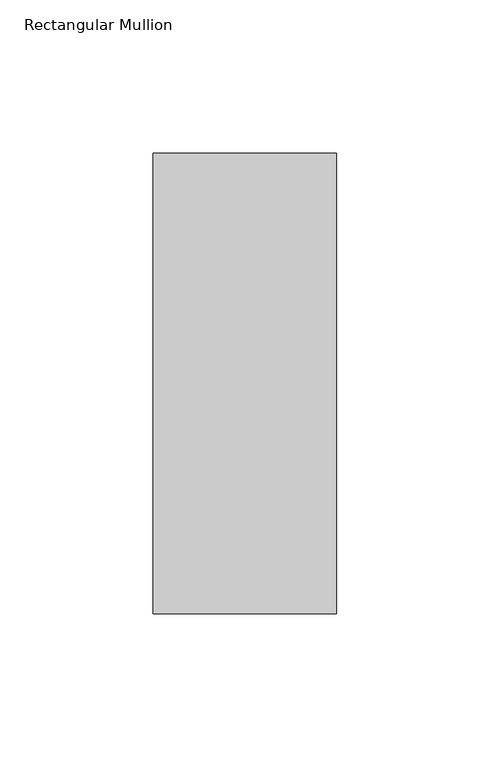
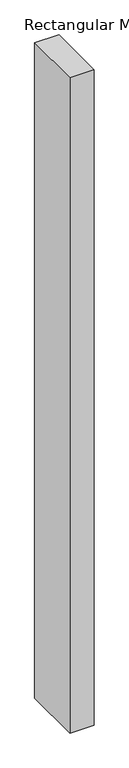
"""IFC4 building model written with IfcOpenShell, lengths in millimetres: member geometry, Rectangular Mullion."""

from ifc_helpers import new_model, si_unit, frame, origin, place, context, project, spatial, polyline, outline, extrude, source, transform, mapped, element, save


def rectangular_mullion_5acafad4(model_context):
    return source(origin(), model_context, "Body", "SweptSolid", [
        extrude(outline(polyline([(30.0, 110.7), (30.0, -39.7), (-30.0, -39.7), (-30.0, 110.7), (30.0, 110.7)])), frame((0.0, 0.0, -1708.8912252), z_axis=(0.0, 0.0, 1.0), x_axis=(1.0, 0.0, 0.0)), (0.0, 0.0, 1.0), 1708.8912252),
    ])


if __name__ == "__main__":
    model = new_model("IFC4")
    model_context = context("Model", 3, world=origin())
    ifc_project = project(units=[si_unit("LENGTHUNIT", "METRE", prefix="MILLI")], contexts=[model_context])
    site = spatial("IfcSite", under=ifc_project)
    building = spatial("IfcBuilding", under=site)
    placement = place(None, origin())
    rectangular_mullion_shape = rectangular_mullion_5acafad4(model_context)
    element("IfcMember", 1, ObjectType="Rectangular Mullion", at=placement, inside=building, context=model_context, shape_type="MappedRepresentation", body=[
        mapped(rectangular_mullion_shape, transform((0.0, 0.0, 0.0), x_axis=(1.0, 0.0, 0.0), y_axis=(0.0, 1.0, 0.0), z_axis=(0.0, 0.0, 1.0))),
    ])
    save(model, "model.ifc")
